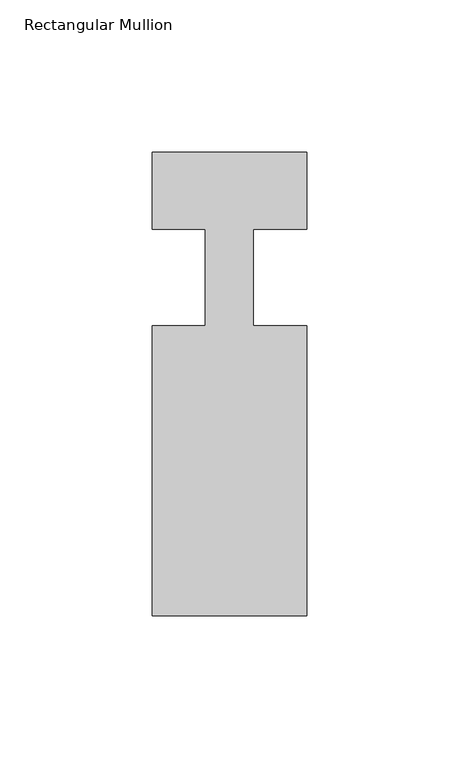
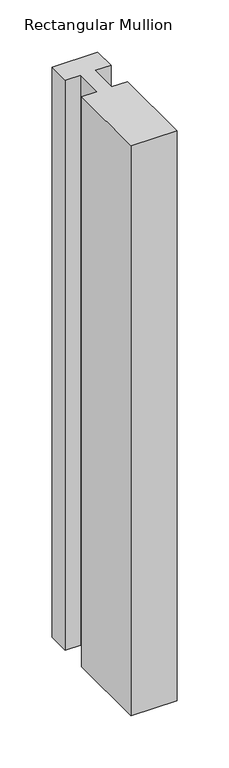
"""IFC4 building model written with IfcOpenShell, lengths in millimetres: member geometry, Rectangular Mullion."""

from ifc_helpers import new_model, si_unit, frame, origin, place, context, project, spatial, polyline, outline, extrude, source, transform, mapped, element, save


def rectangular_mullion_9e0a627f(model_context):
    return source(origin(), model_context, "Body", "SweptSolid", [
        extrude(outline(polyline([(25.4, -152.4), (-25.4, -152.4), (-25.4, -57.15), (-7.9502, -57.15), (-7.9502, -25.4), (-25.4, -25.4), (-25.4, 0.0), (25.4, 0.0), (25.4, -25.4), (7.9502, -25.4), (7.9502, -57.15), (25.4, -57.15), (25.4, -152.4)])), frame((0.0, 0.0, -668.8666667), z_axis=(0.0, 0.0, 1.0), x_axis=(1.0, 0.0, 0.0)), (0.0, 0.0, 1.0), 668.8666667),
    ])


if __name__ == "__main__":
    model = new_model("IFC4")
    model_context = context("Model", 3, world=origin())
    ifc_project = project(units=[si_unit("LENGTHUNIT", "METRE", prefix="MILLI")], contexts=[model_context])
    site = spatial("IfcSite", under=ifc_project)
    building = spatial("IfcBuilding", under=site)
    placement = place(None, origin())
    rectangular_mullion_shape = rectangular_mullion_9e0a627f(model_context)
    element("IfcMember", 1, ObjectType="Rectangular Mullion", at=placement, inside=building, context=model_context, shape_type="MappedRepresentation", body=[
        mapped(rectangular_mullion_shape, transform((0.0, 0.0, 0.0), x_axis=(1.0, 0.0, 0.0), y_axis=(0.0, 1.0, 0.0), z_axis=(0.0, 0.0, 1.0))),
    ])
    save(model, "model.ifc")
